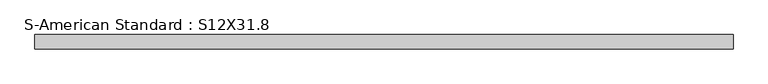
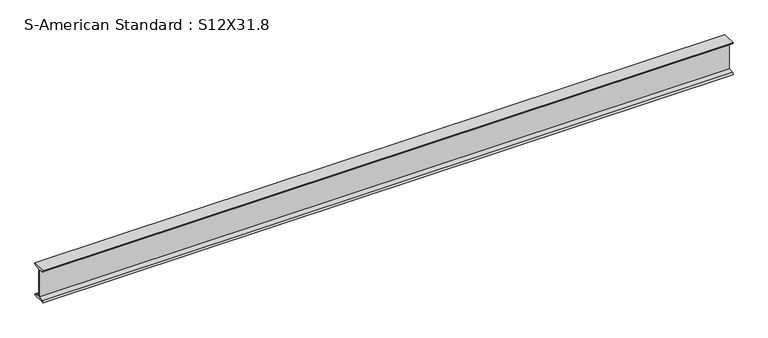
"""IFC4 building model written with IfcOpenShell, lengths in millimetres: beam geometry, S-American Standard : S12X31.8."""

from ifc_helpers import new_model, si_unit, point, frame, frame_2d, origin, place, context, project, spatial, polyline, circle_curve, trimmed, segment, composite_curve, outline, extrude, source, transform, mapped, element, save


def s_american_standard_s12x31_8_5f8fc1c7(model_context):
    return source(origin(), model_context, "Body", "SweptSolid", [
        extrude(outline(composite_curve([segment(polyline([(-63.5, 152.4), (63.5, 152.4)]), True, "CONTINUOUS"), segment(trimmed(circle_curve(frame_2d((49.7, 152.4)), 13.8), [point((63.5, 152.4))], [point((49.7, 138.6))], False, "CARTESIAN"), True, "CONTINUOUS"), segment(polyline([(49.7, 138.6), (4.45, 131.4331041), (4.45, -131.4331041), (49.7, -138.6)]), True, "CONTINUOUS"), segment(trimmed(circle_curve(frame_2d((49.7, -152.4)), 13.8), [point((49.7, -138.6))], [point((63.5, -152.4))], False, "CARTESIAN"), True, "CONTINUOUS"), segment(polyline([(63.5, -152.4), (-63.5, -152.4)]), True, "CONTINUOUS"), segment(trimmed(circle_curve(frame_2d((-49.7, -152.4)), 13.8), [point((-63.5, -152.4))], [point((-49.7, -138.6))], False, "CARTESIAN"), True, "CONTINUOUS"), segment(polyline([(-49.7, -138.6), (-4.45, -131.4331041), (-4.45, 131.4331041), (-49.7, 138.6)]), True, "CONTINUOUS"), segment(trimmed(circle_curve(frame_2d((-49.7, 152.4)), 13.8), [point((-49.7, 138.6))], [point((-63.5, 152.4))], False, "CARTESIAN"), True, "CONTINUOUS")], self_intersect=False)), frame((-2870.9066914, 0.0, 0.0), z_axis=(1.0, 0.0, 0.0), x_axis=(0.0, 1.0, 0.0)), (0.0, 0.0, 1.0), 6246.884198),
    ])


if __name__ == "__main__":
    model = new_model("IFC4")
    model_context = context("Model", 3, world=origin())
    ifc_project = project(units=[si_unit("LENGTHUNIT", "METRE", prefix="MILLI")], contexts=[model_context])
    site = spatial("IfcSite", under=ifc_project)
    building = spatial("IfcBuilding", under=site)
    placement = place(None, origin())
    s_american_standard_s12x31_8_shape = s_american_standard_s12x31_8_5f8fc1c7(model_context)
    element("IfcBeam", 1, ObjectType="S-American Standard : S12X31.8", at=placement, inside=building, context=model_context, shape_type="MappedRepresentation", body=[
        mapped(s_american_standard_s12x31_8_shape, transform((0.0, 0.0, 0.0), x_axis=(1.0, 0.0, 0.0), y_axis=(0.0, 1.0, 0.0), z_axis=(0.0, 0.0, 1.0))),
    ])
    save(model, "model.ifc")
